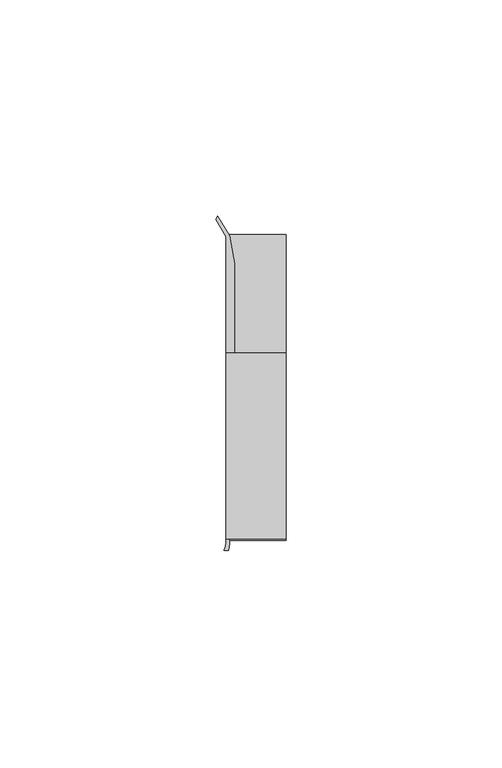
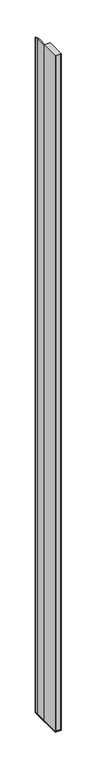
"""IFC4 building model written with IfcOpenShell, lengths in millimetres: furniture geometry."""

from ifc_helpers import new_model, si_unit, point, frame, frame_2d, origin, place, context, project, spatial, polyline, circle_curve, trimmed, segment, composite_curve, outline, extrude, source, transform, mapped, element, save


def furniture_108026f0(model_context):
    return source(origin(), model_context, "Body", "SweptSolid", [
        extrude(outline(polyline([(31.9660873, 18.9594777), (31.9660873, -24.0995273), (18.0754623, -24.0995273), (18.0754623, 18.9594777), (31.9660873, 18.9594777)])), frame((0.0, 0.0, 513.2043624), z_axis=(0.0, 0.0, 1.0), x_axis=(1.0, 0.0, 0.0)), (0.0, 0.0, 1.0), 1614.0456376),
        extrude(outline(composite_curve([segment(polyline([(16.1635657, 50.6802202), (18.9314847, 46.0995711), (20.0632119, 39.6814262), (20.0632119, 18.9594777), (18.8191063, 18.9594777), (18.8191063, -23.2485144), (31.9660873, -23.2485144), (31.2224462, -24.0995273), (18.7989737, -24.0995273)]), True, "CONTINUOUS"), segment(trimmed(circle_curve(frame_2d((14.8541445, -25.0314921)), 4.0534227), [point((18.7989737, -24.0995273))], [point((18.9075389, -25.0466572))], False, "CARTESIAN"), True, "CONTINUOUS"), segment(trimmed(circle_curve(frame_2d((12.1306413, -24.765085)), 6.7827446), [point((18.9075389, -25.0466572))], [point((18.6374949, -26.6798903))], False, "CARTESIAN"), True, "CONTINUOUS"), segment(polyline([(18.6374949, -26.6798903), (17.6611556, -26.683687)]), True, "CONTINUOUS"), segment(trimmed(circle_curve(frame_2d((12.0703756, -24.4226588)), 6.0306773), [point((17.6611556, -26.683687))], [point((18.0754623, -24.9776388))], True, "CARTESIAN"), True, "CONTINUOUS"), segment(polyline([(18.0754623, -24.9776388), (18.0754623, 45.8886719), (15.7452137, 49.8958113), (16.1635657, 50.6802202)]), True, "CONTINUOUS")], self_intersect=False)), frame((0.0, 0.0, 513.2043624), z_axis=(0.0, 0.0, 1.0), x_axis=(1.0, 0.0, 0.0)), (0.0, 0.0, 1.0), 1614.0456376),
        extrude(outline(polyline([(18.0754623, -24.0995273), (18.0754623, 46.6824219), (31.9660873, 46.6824219), (31.9660873, -24.0995273), (18.0754623, -24.0995273)])), frame((0.0, 0.0, 510.67208), z_axis=(0.0, 0.0, 1.0), x_axis=(1.0, 0.0, 0.0)), (0.0, 0.0, 1.0), 2.5322824),
    ])


if __name__ == "__main__":
    model = new_model("IFC4")
    model_context = context("Model", 3, world=origin())
    ifc_project = project(units=[si_unit("LENGTHUNIT", "METRE", prefix="MILLI")], contexts=[model_context])
    site = spatial("IfcSite", under=ifc_project)
    building = spatial("IfcBuilding", under=site)
    placement = place(None, origin())
    furniture_shape = furniture_108026f0(model_context)
    element("IfcFurniture", 1, at=placement, inside=building, context=model_context, shape_type="MappedRepresentation", body=[
        mapped(furniture_shape, transform((0.0, 0.0, 0.0), x_axis=(1.0, 0.0, 0.0), y_axis=(0.0, 1.0, 0.0), z_axis=(0.0, 0.0, 1.0))),
    ])
    save(model, "model.ifc")
